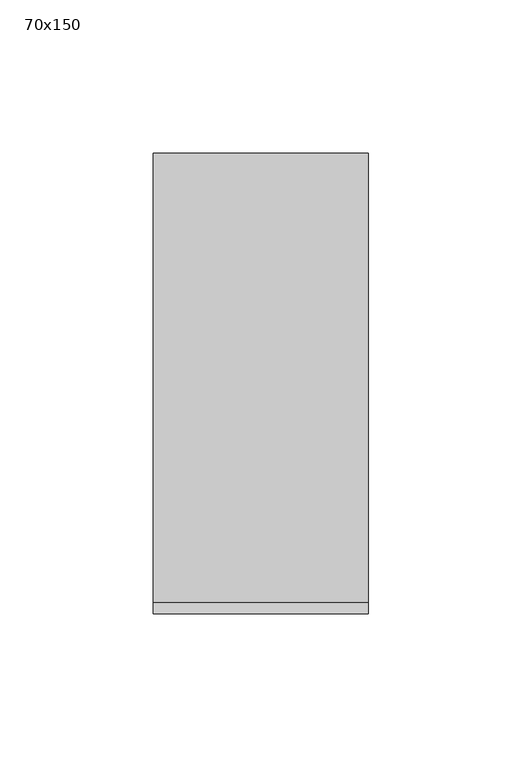
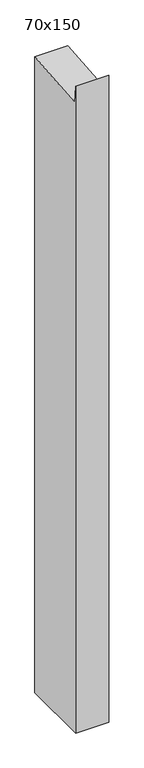
"""IFC4 building model written with IfcOpenShell, lengths in millimetres: member geometry, 70x150."""

from ifc_helpers import new_model, si_unit, frame, origin, place, context, project, spatial, polyline, outline, extrude, source, transform, mapped, element, save


def member_70x150_56cc85c4(model_context):
    return source(origin(), model_context, "Body", "SweptSolid", [
        extrude(outline(polyline([(-75.0, 31.4130792), (-71.3175368, -6.9977255), (75.0, 7.0298105), (75.0, -1421.9270008), (-75.0, -1421.9270008), (-75.0, 31.4130792)])), frame((-70.0, 0.0, 0.0), z_axis=(1.0, 0.0, 0.0), x_axis=(0.0, 1.0, 0.0)), (0.0, 0.0, 1.0), 70.0),
    ])


if __name__ == "__main__":
    model = new_model("IFC4")
    model_context = context("Model", 3, world=origin())
    ifc_project = project(units=[si_unit("LENGTHUNIT", "METRE", prefix="MILLI")], contexts=[model_context])
    site = spatial("IfcSite", under=ifc_project)
    building = spatial("IfcBuilding", under=site)
    placement = place(None, origin())
    member_70x150_shape = member_70x150_56cc85c4(model_context)
    element("IfcMember", 1, ObjectType="70x150", at=placement, inside=building, context=model_context, shape_type="MappedRepresentation", body=[
        mapped(member_70x150_shape, transform((0.0, 0.0, 0.0), x_axis=(1.0, 0.0, 0.0), y_axis=(0.0, 1.0, 0.0), z_axis=(0.0, 0.0, 1.0))),
    ])
    save(model, "model.ifc")
